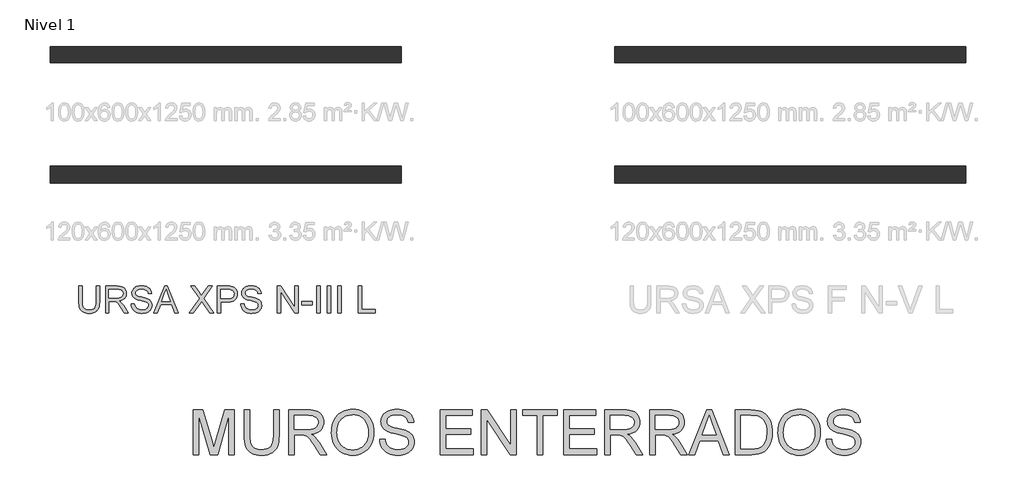
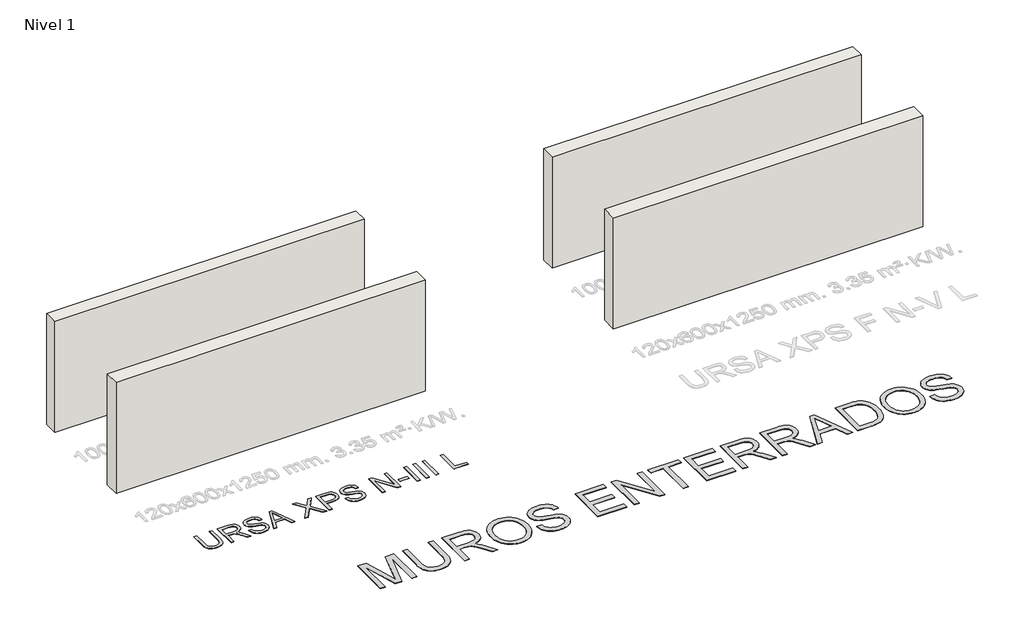
# One storey, part 1 of 6: 4 walls, 2 proxies.
"""IFC4 building model written with IfcOpenShell, lengths in millimetres."""

from ifc_helpers import new_model, si_unit, origin, origin_with_axes, place, context, project, spatial, polyline, outline, extrude, element, save

model = new_model("IFC4")

# Units and contexts
model_context = context("Model", 3, world=origin())
ifc_project = project(units=[si_unit("LENGTHUNIT", "METRE", prefix="MILLI")], contexts=[model_context])

# Site, building, storey
site = spatial("IfcSite", under=ifc_project)
building = spatial("IfcBuilding", under=site)
storey = spatial("IfcBuildingStorey", under=building, Name="Nivel 1", Elevation=0.0)

# Proxies
placement = place(None, origin())
element("IfcBuildingElementProxy", 1, Name="Texto de modelo 2", ObjectType="Texto de modelo 2", at=placement, inside=storey, context=model_context, shape_type="SweptSolid", body=[
    extrude(outline(polyline([(-22795.1224192, -17616.3248037), (-22795.1224192, -16611.7617022), (-22579.0530607, -16611.7617022), (-22373.5296528, -17319.8119156), (-22332.0816146, -17467.7004776), (-22287.2000112, -17307.5491824), (-22085.1101686, -16611.7617022), (-21869.0408101, -16611.7617022), (-21869.0408101, -17616.3248037), (-21994.6111977, -17616.3248037), (-21994.6111977, -16737.3320899), (-22246.9782464, -17616.3248037), (-22417.1849829, -17616.3248037), (-22669.5520316, -16737.3320899), (-22669.5520316, -17616.3248037), (-22795.1224192, -17616.3248037)])), origin_with_axes(), (0.0, 0.0, 1.0), 10.0),
    extrude(outline(polyline([(-20990.0480962, -16611.7617022), (-20864.4777086, -16611.7617022), (-20864.4777086, -17191.2984719), (-20866.6083584, -17263.0584536), (-20873.0003081, -17327.0162713), (-20883.6535576, -17383.171925), (-20898.5681068, -17431.5254148), (-20919.0315428, -17473.9084863), (-20946.3314525, -17512.1528854), (-20980.467836, -17546.258612), (-21021.4406932, -17576.2256662), (-21069.2960094, -17600.6361694), (-21124.0797698, -17618.0722432), (-21185.7919745, -17628.5338874), (-21254.4326234, -17632.0211022), (-21321.3794824, -17628.9860757), (-21381.9343916, -17619.8809963), (-21436.0973512, -17604.705864), (-21483.8683611, -17583.4606788), (-21525.2550856, -17556.4596732), (-21560.2651888, -17524.0170797), (-21588.8986707, -17486.1328984), (-21611.1555314, -17442.8071293), (-21627.8405128, -17392.5529159), (-21639.7583566, -17333.8834019), (-21646.9090628, -17266.7985872), (-21649.2926316, -17191.2984719), (-21649.2926316, -16611.7617022), (-21523.7222439, -16611.7617022), (-21523.7222439, -17186.883888), (-21522.1740738, -17247.5920814), (-21517.5295637, -17299.73169), (-21509.7887133, -17343.3027138), (-21498.9515229, -17378.3051528), (-21484.343542, -17407.2681957), (-21465.2903203, -17432.7210313), (-21441.7918579, -17454.6636594), (-21413.8481547, -17473.0960802), (-21381.9957053, -17487.6887327), (-21346.7710042, -17498.1120559), (-21308.1740516, -17504.3660498), (-21266.2048473, -17506.4507145), (-21196.9970469, -17502.3273704), (-21138.4884813, -17489.9573384), (-21090.6791503, -17469.3406182), (-21070.7866979, -17455.9397501), (-21053.5690541, -17440.47721), (-21038.6813296, -17422.0831102), (-21025.778635, -17399.8875632), (-21005.9283357, -17344.0921273), (-20994.0181561, -17273.0909022), (-20990.0480962, -17186.883888), (-20990.0480962, -16611.7617022)])), origin_with_axes(), (0.0, 0.0, 1.0), 10.0),
    extrude(outline(polyline([(-20644.7295301, -17616.3248037), (-20644.7295301, -16611.7617022), (-20211.8550491, -16611.7617022), (-20149.721313, -16613.4554922), (-20095.5123681, -16618.5368623), (-20049.2282146, -16627.0058124), (-20010.8688524, -16638.8623425), (-19978.2039969, -16655.0184935), (-19949.0033636, -16676.386306), (-19923.2669523, -16702.9657802), (-19900.9947632, -16734.7569159), (-19883.0221949, -16770.0505948), (-19870.1846461, -16807.1376985), (-19862.4821168, -16846.0182268), (-19859.9146071, -16886.6921799), (-19864.1682426, -16938.2876298), (-19876.9291493, -16985.6524366), (-19898.1973272, -17028.7866006), (-19927.9727762, -17067.6901216), (-19966.6387067, -17101.1213979), (-20014.5783292, -17127.8388278), (-20071.7916437, -17147.8424113), (-20138.2786501, -17161.1321483), (-20096.8919256, -17188.171475), (-20066.909543, -17214.8429196), (-20015.4673774, -17275.8500172), (-19965.1288577, -17344.0921273), (-19797.6199225, -17616.3248037), (-19943.5464473, -17616.3248037), (-20074.2671829, -17408.1035944), (-20126.5677399, -17328.6410835), (-20168.6902283, -17270.2704736), (-20203.7923021, -17230.0793656), (-20235.0316148, -17205.1553604), (-20264.6154586, -17190.5320511), (-20294.7511254, -17181.2430307), (-20367.5917604, -17176.8284468), (-20519.1591424, -17176.8284468), (-20519.1591424, -17616.3248037), (-20644.7295301, -17616.3248037)]), holes=[polyline([(-20519.1591424, -17051.2580591), (-20238.0972981, -17051.2580591), (-20157.377857, -17046.8128183), (-20094.7459473, -17033.477096), (-20069.5613591, -17023.2530422), (-20047.5957383, -17010.361844), (-20028.8490849, -16994.8035013), (-20013.321399, -16976.5780141), (-20001.1429722, -16956.5820948), (-19992.4440958, -16935.7124558), (-19987.22477, -16913.969097), (-19985.4849947, -16891.3520185), (-19988.8035969, -16859.238986), (-19998.7594034, -16830.0996663), (-20015.3524142, -16803.9340594), (-20038.5826294, -16780.7421653), (-20068.9865434, -16761.7502573), (-20107.100651, -16748.1846087), (-20152.924952, -16740.0452196), (-20206.4594465, -16737.3320899), (-20519.1591424, -16737.3320899), (-20519.1591424, -17051.2580591)])]), origin_with_axes(), (0.0, 0.0, 1.0), 10.0),
    extrude(outline(polyline([(-19687.255324, -17127.2870048), (-19685.1629951, -17066.6822782), (-19678.8860086, -17009.4574674), (-19668.4243644, -16955.6125725), (-19653.7780624, -16905.1475934), (-19634.9471028, -16858.0625301), (-19611.9314855, -16814.3573826), (-19584.7312105, -16774.032151), (-19553.3462777, -16737.0868352), (-19518.6542392, -16704.0349372), (-19481.5326466, -16675.3899589), (-19441.9815, -16651.1519004), (-19400.0007994, -16631.3207616), (-19355.5905448, -16615.8965425), (-19308.7507362, -16604.8792432), (-19259.4813736, -16598.2688636), (-19207.7824569, -16596.0654037), (-19140.1994687, -16600.2040762), (-19076.019389, -16612.6200935), (-19015.2422177, -16633.3134557), (-18957.8679549, -16662.2841629), (-18905.5060842, -16698.6584951), (-18859.7660895, -16741.5627328), (-18820.6479707, -16790.9968759), (-18788.1517278, -16846.9609244), (-18762.6145859, -16908.1826198), (-18744.3737704, -16973.3897035), (-18733.429281, -17042.5821754), (-18729.7811179, -17115.7600356), (-18733.6208862, -17189.903586), (-18745.1401912, -17260.0310914), (-18764.3390328, -17326.1425516), (-18791.2174111, -17388.2379667), (-18825.1391967, -17444.6771961), (-18865.4682604, -17493.8200993), (-18912.2046022, -17535.6666763), (-18965.3482221, -17570.216927), (-19022.8067912, -17597.2562536), (-19082.4879808, -17616.5700584), (-19144.3917906, -17628.1583412), (-19208.5182209, -17632.0211022), (-19277.2814972, -17627.7521382), (-19342.3046398, -17614.9452462), (-19403.5876489, -17593.6004263), (-19461.1305243, -17563.7176784), (-19513.4310813, -17526.454298), (-19558.987135, -17482.9675804), (-19597.7986855, -17433.2575258), (-19629.8657327, -17377.3241342), (-19654.9736789, -17317.4130184), (-19672.9079262, -17255.7697916), (-19683.6684745, -17192.3944537), (-19687.255324, -17127.2870048)]), holes=[polyline([(-19561.6849363, -17128.5132781), (-19560.1156897, -17171.3063848), (-19555.4079498, -17211.7619079), (-19547.5617166, -17249.8798476), (-19536.5769901, -17285.6602037), (-19522.4537704, -17319.1029763), (-19505.1920574, -17350.2081654), (-19484.7918512, -17378.975771), (-19461.2531516, -17405.4057931), (-19435.3462117, -17429.0881966), (-19407.8412844, -17449.6129462), (-19378.7383697, -17466.9800421), (-19348.0374676, -17481.1894841), (-19315.7385781, -17492.2412724), (-19281.8417011, -17500.1354069), (-19246.3468367, -17504.8718876), (-19209.2539849, -17506.4507145), (-19171.4828507, -17504.8565592), (-19135.424667, -17500.0740932), (-19101.0794339, -17492.1033167), (-19068.4471513, -17480.9442295), (-19037.5278192, -17466.5968317), (-19008.3214377, -17449.0611232), (-18980.8280067, -17428.3371042), (-18955.0475263, -17404.4247745), (-18931.6812714, -17377.5808851), (-18911.4305172, -17348.0621871), (-18894.2952636, -17315.8686804), (-18880.2755107, -17281.0003651), (-18869.3712585, -17243.4572411), (-18861.5825069, -17203.2393084), (-18856.9092559, -17160.346567), (-18855.3515056, -17114.7790169), (-18858.01865, -17057.3127836), (-18866.0200834, -17003.6173407), (-18879.3558057, -16953.6926883), (-18898.025817, -16907.5388263), (-18921.8231836, -16865.7612272), (-18950.5409718, -16828.9653635), (-18984.1791817, -16797.1512351), (-19022.7378134, -16770.3188421), (-19065.0212502, -16749.0200074), (-19109.8338757, -16733.8065541), (-19157.17569, -16724.6784821), (-19207.046693, -16721.6357914), (-19277.1128846, -16727.4989107), (-19342.1206988, -16745.0882686), (-19372.7277144, -16758.280287), (-19402.0701356, -16774.4038651), (-19456.961195, -16815.4457002), (-19481.5058219, -16840.8582986), (-19502.7778318, -16870.1911396), (-19520.7772249, -16903.4442231), (-19535.504001, -16940.6175491), (-19546.9581602, -16981.7111175), (-19555.1397025, -17026.7249285), (-19560.0486278, -17075.6589821), (-19561.6849363, -17128.5132781)])]), origin_with_axes(), (0.0, 0.0, 1.0), 10.0),
    extrude(outline(polyline([(-18604.2107302, -17271.0062376), (-18478.6403425, -17271.0062376), (-18472.8921863, -17307.5568466), (-18464.231631, -17340.6892188), (-18452.6586766, -17370.4033541), (-18438.173323, -17396.6992526), (-18420.0398064, -17420.1057445), (-18397.5223626, -17441.1516603), (-18370.6209917, -17459.837), (-18339.3356937, -17476.1617635), (-18304.8160998, -17489.4131796), (-18268.2118413, -17498.8784767), (-18229.5229181, -17504.557655), (-18188.7493303, -17506.4507145), (-18118.7904376, -17500.7178867), (-18087.0759439, -17493.551852), (-18057.5380854, -17483.5194034), (-18030.9049617, -17470.9807588), (-18007.9046728, -17456.2961358), (-17988.5372186, -17439.4655345), (-17972.8025991, -17420.4889549), (-17960.6241723, -17400.1864673), (-17951.9252959, -17379.378142), (-17946.7059701, -17358.0639789), (-17944.9661948, -17336.243978), (-17950.1778564, -17294.2134601), (-17965.8128412, -17257.8851131), (-17978.9646226, -17241.7672831), (-17997.5733201, -17226.891055), (-18021.638934, -17213.2564285), (-18051.1614641, -17200.8634038), (-18117.4721937, -17181.1510602), (-18233.9988157, -17152.9161171), (-18354.0203166, -17121.186295), (-18397.8212667, -17105.8961996), (-18430.8156831, -17090.9893146), (-18464.3465941, -17070.9857311), (-18493.3249655, -17048.7441988), (-18517.7507971, -17024.2647177), (-18537.6240891, -16997.5472878), (-18553.0214834, -16968.8678206), (-18564.0196222, -16938.5022276), (-18570.6185055, -16906.4505088), (-18572.8181333, -16872.7126641), (-18570.0973393, -16835.3189921), (-18561.9349576, -16799.1669219), (-18548.330988, -16764.2564534), (-18529.2854305, -16730.5875866), (-18505.012883, -16699.5322149), (-18475.7279434, -16672.4622314), (-18441.4306115, -16649.3776362), (-18402.1208875, -16630.2784293), (-18359.1246793, -16615.3102306), (-18313.767895, -16604.6186601), (-18266.0505345, -16598.2037178), (-18215.9725979, -16596.0654037), (-18161.3421217, -16598.3033525), (-18110.0225833, -16605.017199), (-18062.013983, -16616.206943), (-18017.3163206, -16631.8725846), (-17976.7573306, -16651.8761681), (-17941.1647475, -16676.0797377), (-17910.5385715, -16704.4832934), (-17884.8788023, -16737.0868352), (-17864.3847095, -16772.9400013), (-17849.2555624, -16811.0924299), (-17839.4913611, -16851.544121), (-17835.0921056, -16894.2950745), (-17960.6624933, -16894.2950745), (-17969.0624655, -16854.2265939), (-17983.7164317, -16819.3697748), (-18004.6243917, -16789.7246174), (-18031.7863457, -16765.2911215), (-18065.7081313, -16746.1919146), (-18106.8955864, -16732.5496239), (-18155.3487108, -16724.3642496), (-18211.0675047, -16721.6357914), (-18268.5643948, -16724.3335927), (-18317.6919696, -16732.4269966), (-18358.450229, -16745.9160031), (-18390.839173, -16764.8006122), (-18415.5179235, -16787.501997), (-18433.1456024, -16812.4413306), (-18443.7222098, -16839.618613), (-18447.2477456, -16869.0338442), (-18444.7492137, -16894.3410597), (-18437.253618, -16917.2876992), (-18424.7609586, -16937.8737625), (-18407.2712354, -16956.0992497), (-18379.7413995, -16973.3590466), (-18336.3926377, -16990.8027846), (-18277.2249501, -17008.4304635), (-18202.2383368, -17026.2420834), (-18063.7920793, -17059.903286), (-18015.0783717, -17075.1244035), (-17980.0376117, -17089.2725319), (-17941.5402938, -17110.7169866), (-17908.4539068, -17134.8285857), (-17880.7784509, -17161.6073292), (-17858.513926, -17191.0532173), (-17841.399749, -17223.0129656), (-17829.1753369, -17257.3332901), (-17821.8406896, -17294.0141907), (-17819.3958071, -17333.0556674), (-17822.2085716, -17372.3347346), (-17830.6468648, -17410.4641706), (-17844.7106869, -17447.4439753), (-17864.4000379, -17483.2741488), (-17889.3700283, -17516.5674693), (-17919.2757688, -17545.9367153), (-17954.1172595, -17571.3818866), (-17993.8945002, -17592.9029833), (-18037.4501956, -17610.0171603), (-18083.6270502, -17622.2415725), (-18132.425064, -17629.5762197), (-18183.844237, -17632.0211022), (-18248.0779662, -17629.3846145), (-18306.8701076, -17621.4751516), (-18360.2206611, -17608.2927135), (-18408.1296268, -17589.8373), (-18450.8882445, -17566.0782545), (-18488.7877542, -17536.9849201), (-18521.8281559, -17502.5572967), (-18550.0094496, -17462.7953844), (-18572.7108344, -17418.9867701), (-18589.3115094, -17372.4190409), (-18599.8114747, -17323.0921967), (-18604.2107302, -17271.0062376)])), origin_with_axes(), (0.0, 0.0, 1.0), 10.0),
    extrude(outline(polyline([(-17238.6327641, -17616.3248037), (-17238.6327641, -16611.7617022), (-16516.6030349, -16611.7617022), (-16516.6030349, -16737.3320899), (-17113.0623764, -16737.3320899), (-17113.0623764, -17035.5617606), (-16547.9956318, -17035.5617606), (-16547.9956318, -17161.1321483), (-17113.0623764, -17161.1321483), (-17113.0623764, -17490.754416), (-16500.9067364, -17490.754416), (-16500.9067364, -17616.3248037), (-17238.6327641, -17616.3248037)])), origin_with_axes(), (0.0, 0.0, 1.0), 10.0),
    extrude(outline(polyline([(-16312.5511549, -17616.3248037), (-16312.5511549, -16611.7617022), (-16178.1515993, -16611.7617022), (-15653.3066195, -17407.6130851), (-15653.3066195, -16611.7617022), (-15527.7362319, -16611.7617022), (-15527.7362319, -17616.3248037), (-15662.1357874, -17616.3248037), (-16186.9807672, -16820.2281661), (-16186.9807672, -17616.3248037), (-16312.5511549, -17616.3248037)])), origin_with_axes(), (0.0, 0.0, 1.0), 10.0),
    extrude(outline(polyline([(-15056.847278, -17616.3248037), (-15056.847278, -16737.3320899), (-15386.4695457, -16737.3320899), (-15386.4695457, -16611.7617022), (-14601.6546227, -16611.7617022), (-14601.6546227, -16737.3320899), (-14931.2768903, -16737.3320899), (-14931.2768903, -17616.3248037), (-15056.847278, -17616.3248037)])), origin_with_axes(), (0.0, 0.0, 1.0), 10.0),
    extrude(outline(polyline([(-14460.3879365, -17616.3248037), (-14460.3879365, -16611.7617022), (-13738.3582073, -16611.7617022), (-13738.3582073, -16737.3320899), (-14334.8175488, -16737.3320899), (-14334.8175488, -17035.5617606), (-13769.7508042, -17035.5617606), (-13769.7508042, -17161.1321483), (-14334.8175488, -17161.1321483), (-14334.8175488, -17490.754416), (-13722.6619089, -17490.754416), (-13722.6619089, -17616.3248037), (-14460.3879365, -17616.3248037)])), origin_with_axes(), (0.0, 0.0, 1.0), 10.0),
    extrude(outline(polyline([(-13534.3063273, -17616.3248037), (-13534.3063273, -16611.7617022), (-13101.4318463, -16611.7617022), (-13039.2981102, -16613.4554922), (-12985.0891654, -16618.5368623), (-12938.8050118, -16627.0058124), (-12900.4456496, -16638.8623425), (-12867.7807941, -16655.0184935), (-12838.5801608, -16676.386306), (-12812.8437495, -16702.9657802), (-12790.5715604, -16734.7569159), (-12772.5989921, -16770.0505948), (-12759.7614433, -16807.1376985), (-12752.058914, -16846.0182268), (-12749.4914043, -16886.6921799), (-12753.7450399, -16938.2876298), (-12766.5059466, -16985.6524366), (-12787.7741244, -17028.7866006), (-12817.5495734, -17067.6901216), (-12856.2155039, -17101.1213979), (-12904.1551264, -17127.8388278), (-12961.3684409, -17147.8424113), (-13027.8554473, -17161.1321483), (-12986.4687228, -17188.171475), (-12956.4863402, -17214.8429196), (-12905.0441746, -17275.8500172), (-12854.7056549, -17344.0921273), (-12687.1967198, -17616.3248037), (-12833.1232445, -17616.3248037), (-12963.8439801, -17408.1035944), (-13016.1445371, -17328.6410835), (-13058.2670256, -17270.2704736), (-13093.3690993, -17230.0793656), (-13124.608412, -17205.1553604), (-13154.1922558, -17190.5320511), (-13184.3279226, -17181.2430307), (-13257.1685576, -17176.8284468), (-13408.7359396, -17176.8284468), (-13408.7359396, -17616.3248037), (-13534.3063273, -17616.3248037)]), holes=[polyline([(-13408.7359396, -17051.2580591), (-13127.6740953, -17051.2580591), (-13046.9546542, -17046.8128183), (-12984.3227445, -17033.477096), (-12959.1381563, -17023.2530422), (-12937.1725355, -17010.361844), (-12918.4258822, -16994.8035013), (-12902.8981963, -16976.5780141), (-12890.7197694, -16956.5820948), (-12882.020893, -16935.7124558), (-12876.8015672, -16913.969097), (-12875.061792, -16891.3520185), (-12878.3803941, -16859.238986), (-12888.3362006, -16830.0996663), (-12904.9292115, -16803.9340594), (-12928.1594266, -16780.7421653), (-12958.5633407, -16761.7502573), (-12996.6774482, -16748.1846087), (-13042.5017492, -16740.0452196), (-13096.0362437, -16737.3320899), (-13408.7359396, -16737.3320899), (-13408.7359396, -17051.2580591)])]), origin_with_axes(), (0.0, 0.0, 1.0), 10.0),
    extrude(outline(polyline([(-12529.7432258, -17616.3248037), (-12529.7432258, -16611.7617022), (-12096.8687448, -16611.7617022), (-12034.7350087, -16613.4554922), (-11980.5260639, -16618.5368623), (-11934.2419103, -16627.0058124), (-11895.8825481, -16638.8623425), (-11863.2176927, -16655.0184935), (-11834.0170593, -16676.386306), (-11808.280648, -16702.9657802), (-11786.0084589, -16734.7569159), (-11768.0358906, -16770.0505948), (-11755.1983418, -16807.1376985), (-11747.4958125, -16846.0182268), (-11744.9283028, -16886.6921799), (-11749.1819384, -16938.2876298), (-11761.9428451, -16985.6524366), (-11783.2110229, -17028.7866006), (-11812.9864719, -17067.6901216), (-11851.6524024, -17101.1213979), (-11899.5920249, -17127.8388278), (-11956.8053394, -17147.8424113), (-12023.2923458, -17161.1321483), (-11981.9056213, -17188.171475), (-11951.9232387, -17214.8429196), (-11900.4810731, -17275.8500172), (-11850.1425534, -17344.0921273), (-11682.6336183, -17616.3248037), (-11828.560143, -17616.3248037), (-11959.2808786, -17408.1035944), (-12011.5814356, -17328.6410835), (-12053.7039241, -17270.2704736), (-12088.8059978, -17230.0793656), (-12120.0453105, -17205.1553604), (-12149.6291543, -17190.5320511), (-12179.7648211, -17181.2430307), (-12252.6054561, -17176.8284468), (-12404.1728381, -17176.8284468), (-12404.1728381, -17616.3248037), (-12529.7432258, -17616.3248037)]), holes=[polyline([(-12404.1728381, -17051.2580591), (-12123.1109938, -17051.2580591), (-12042.3915527, -17046.8128183), (-11979.759643, -17033.477096), (-11954.5750548, -17023.2530422), (-11932.609434, -17010.361844), (-11913.8627807, -16994.8035013), (-11898.3350948, -16976.5780141), (-11886.1566679, -16956.5820948), (-11877.4577915, -16935.7124558), (-11872.2384657, -16913.969097), (-11870.4986905, -16891.3520185), (-11873.8172926, -16859.238986), (-11883.7730991, -16830.0996663), (-11900.36611, -16803.9340594), (-11923.5963251, -16780.7421653), (-11954.0002392, -16761.7502573), (-11992.1143467, -16748.1846087), (-12037.9386477, -16740.0452196), (-12091.4731422, -16737.3320899), (-12404.1728381, -16737.3320899), (-12404.1728381, -17051.2580591)])]), origin_with_axes(), (0.0, 0.0, 1.0), 10.0),
    extrude(outline(polyline([(-11642.1665988, -17616.3248037), (-11241.1752241, -16611.7617022), (-11134.2441908, -16611.7617022), (-10733.252816, -17616.3248037), (-10865.935589, -17616.3248037), (-10980.9600261, -17302.3988345), (-11394.7046434, -17302.3988345), (-11509.4838259, -17616.3248037), (-11642.1665988, -17616.3248037)]), holes=[polyline([(-11348.5967666, -17176.8284468), (-11026.8226482, -17176.8284468), (-11117.321619, -16929.8570007), (-11187.7097074, -16737.3320899), (-11250.2496466, -16908.2745903), (-11348.5967666, -17176.8284468)])]), origin_with_axes(), (0.0, 0.0, 1.0), 10.0),
    extrude(outline(polyline([(-10599.0985151, -17616.3248037), (-10599.0985151, -16611.7617022), (-10252.5536757, -16611.7617022), (-10148.994894, -16615.3792085), (-10073.2725167, -16626.2317273), (-10031.6711944, -16638.1725638), (-9993.1968691, -16654.1294453), (-9957.8495407, -16674.102372), (-9925.6292093, -16698.0913437), (-9888.3964857, -16734.0211519), (-9856.1608259, -16774.6107987), (-9828.9222298, -16819.8602841), (-9806.6806975, -16869.7696081), (-9789.4055722, -16923.8789183), (-9777.0661969, -16981.728362), (-9769.6625718, -17043.3179394), (-9767.1946967, -17108.6476504), (-9768.8654941, -17164.174839), (-9773.8778863, -17216.4677318), (-9782.2318733, -17265.5263287), (-9793.927455, -17311.3506297), (-9824.4616606, -17392.1313845), (-9842.5798489, -17426.7965983), (-9862.5987608, -17457.6450364), (-9906.4993456, -17509.3631136), (-9954.3240049, -17548.7571439), (-10009.2303927, -17577.9731057), (-10074.3761627, -17599.1569773), (-10149.8839422, -17612.0328471), (-10235.8763586, -17616.3248037), (-10599.0985151, -17616.3248037)]), holes=[polyline([(-10473.5281275, -17490.754416), (-10251.3274024, -17490.754416), (-10159.4182172, -17486.2172047), (-10121.7869548, -17480.5456906), (-10089.7045792, -17472.6055709), (-10037.0974538, -17450.7165922), (-10015.3004456, -17436.9670026), (-9996.507807, -17421.3473463), (-9973.3389056, -17396.1704222), (-9952.8831338, -17366.9927815), (-9935.1404917, -17333.814424), (-9920.1109794, -17296.6353499), (-9908.1471503, -17255.378917), (-9899.6015581, -17209.9684832), (-9894.4742028, -17160.4040485), (-9892.7650844, -17106.685613), (-9896.1143434, -17033.7836643), (-9906.1621204, -16969.8335108), (-9922.9084154, -16914.8351526), (-9946.3532284, -16868.7885895), (-9974.5958357, -16830.6514893), (-10005.7355138, -16799.3815197), (-10039.7722625, -16774.9786807), (-10076.706082, -16757.4429723), (-10108.6198451, -16748.6444612), (-10148.9335804, -16742.3598105), (-10254.7609677, -16737.3320899), (-10473.5281275, -16737.3320899), (-10473.5281275, -17490.754416)])]), origin_with_axes(), (0.0, 0.0, 1.0), 10.0),
    extrude(outline(polyline([(-9641.624309, -17127.2870048), (-9639.5319802, -17066.6822782), (-9633.2549936, -17009.4574674), (-9622.7933494, -16955.6125725), (-9608.1470475, -16905.1475934), (-9589.3160878, -16858.0625301), (-9566.3004705, -16814.3573826), (-9539.1001955, -16774.032151), (-9507.7152628, -16737.0868352), (-9473.0232242, -16704.0349372), (-9435.9016316, -16675.3899589), (-9396.3504851, -16651.1519004), (-9354.3697845, -16631.3207616), (-9309.9595299, -16615.8965425), (-9263.1197212, -16604.8792432), (-9213.8503586, -16598.2688636), (-9162.151442, -16596.0654037), (-9094.5684538, -16600.2040762), (-9030.388374, -16612.6200935), (-8969.6112028, -16633.3134557), (-8912.2369399, -16662.2841629), (-8859.8750693, -16698.6584951), (-8814.1350745, -16741.5627328), (-8775.0169557, -16790.9968759), (-8742.5207128, -16846.9609244), (-8716.983571, -16908.1826198), (-8698.7427554, -16973.3897035), (-8687.798266, -17042.5821754), (-8684.1501029, -17115.7600356), (-8687.9898712, -17189.903586), (-8699.5091762, -17260.0310914), (-8718.7080178, -17326.1425516), (-8745.5863961, -17388.2379667), (-8779.5081817, -17444.6771961), (-8819.8372455, -17493.8200993), (-8866.5735873, -17535.6666763), (-8919.7172072, -17570.216927), (-8977.1757763, -17597.2562536), (-9036.8569658, -17616.5700584), (-9098.7607757, -17628.1583412), (-9162.887206, -17632.0211022), (-9231.6504822, -17627.7521382), (-9296.6736249, -17614.9452462), (-9357.9566339, -17593.6004263), (-9415.4995093, -17563.7176784), (-9467.8000663, -17526.454298), (-9513.35612, -17482.9675804), (-9552.1676705, -17433.2575258), (-9584.2347178, -17377.3241342), (-9609.342664, -17317.4130184), (-9627.2769112, -17255.7697916), (-9638.0374596, -17192.3944537), (-9641.624309, -17127.2870048)]), holes=[polyline([(-9516.0539213, -17128.5132781), (-9514.4846747, -17171.3063848), (-9509.7769348, -17211.7619079), (-9501.9307016, -17249.8798476), (-9490.9459752, -17285.6602037), (-9476.8227554, -17319.1029763), (-9459.5610425, -17350.2081654), (-9439.1608362, -17378.975771), (-9415.6221367, -17405.4057931), (-9389.7151968, -17429.0881966), (-9362.2102695, -17449.6129462), (-9333.1073548, -17466.9800421), (-9302.4064526, -17481.1894841), (-9270.1075631, -17492.2412724), (-9236.2106861, -17500.1354069), (-9200.7158218, -17504.8718876), (-9163.62297, -17506.4507145), (-9125.8518357, -17504.8565592), (-9089.7936521, -17500.0740932), (-9055.4484189, -17492.1033167), (-9022.8161363, -17480.9442295), (-8991.8968042, -17466.5968317), (-8962.6904227, -17449.0611232), (-8935.1969917, -17428.3371042), (-8909.4165113, -17404.4247745), (-8886.0502564, -17377.5808851), (-8865.7995022, -17348.0621871), (-8848.6642487, -17315.8686804), (-8834.6444958, -17281.0003651), (-8823.7402435, -17243.4572411), (-8815.9514919, -17203.2393084), (-8811.2782409, -17160.346567), (-8809.7204906, -17114.7790169), (-8812.3876351, -17057.3127836), (-8820.3890685, -17003.6173407), (-8833.7247908, -16953.6926883), (-8852.394802, -16907.5388263), (-8876.1921686, -16865.7612272), (-8904.9099569, -16828.9653635), (-8938.5481668, -16797.1512351), (-8977.1067984, -16770.3188421), (-9019.3902352, -16749.0200074), (-9064.2028608, -16733.8065541), (-9111.544675, -16724.6784821), (-9161.415678, -16721.6357914), (-9231.4818697, -16727.4989107), (-9296.4896839, -16745.0882686), (-9327.0966995, -16758.280287), (-9356.4391207, -16774.4038651), (-9411.33018, -16815.4457002), (-9435.8748069, -16840.8582986), (-9457.1468169, -16870.1911396), (-9475.1462099, -16903.4442231), (-9489.872986, -16940.6175491), (-9501.3271452, -16981.7111175), (-9509.5086875, -17026.7249285), (-9514.4176129, -17075.6589821), (-9516.0539213, -17128.5132781)])]), origin_with_axes(), (0.0, 0.0, 1.0), 10.0),
    extrude(outline(polyline([(-8558.5797152, -17271.0062376), (-8433.0093275, -17271.0062376), (-8427.2611714, -17307.5568466), (-8418.6006161, -17340.6892188), (-8407.0276616, -17370.4033541), (-8392.5423081, -17396.6992526), (-8374.4087914, -17420.1057445), (-8351.8913476, -17441.1516603), (-8324.9899767, -17459.837), (-8293.7046787, -17476.1617635), (-8259.1850848, -17489.4131796), (-8222.5808263, -17498.8784767), (-8183.8919031, -17504.557655), (-8143.1183153, -17506.4507145), (-8073.1594226, -17500.7178867), (-8041.4449289, -17493.551852), (-8011.9070704, -17483.5194034), (-7985.2739468, -17470.9807588), (-7962.2736579, -17456.2961358), (-7942.9062037, -17439.4655345), (-7927.1715842, -17420.4889549), (-7914.9931573, -17400.1864673), (-7906.2942809, -17379.378142), (-7901.0749551, -17358.0639789), (-7899.3351799, -17336.243978), (-7904.5468415, -17294.2134601), (-7920.1818263, -17257.8851131), (-7933.3336076, -17241.7672831), (-7951.9423052, -17226.891055), (-7976.007919, -17213.2564285), (-8005.5304491, -17200.8634038), (-8071.8411788, -17181.1510602), (-8188.3678007, -17152.9161171), (-8308.3893017, -17121.186295), (-8352.1902517, -17105.8961996), (-8385.1846682, -17090.9893146), (-8418.7155792, -17070.9857311), (-8447.6939505, -17048.7441988), (-8472.1197822, -17024.2647177), (-8491.9930741, -16997.5472878), (-8507.3904684, -16968.8678206), (-8518.3886073, -16938.5022276), (-8524.9874905, -16906.4505088), (-8527.1871183, -16872.7126641), (-8524.4663244, -16835.3189921), (-8516.3039426, -16799.1669219), (-8502.699973, -16764.2564534), (-8483.6544155, -16730.5875866), (-8459.3818681, -16699.5322149), (-8430.0969284, -16672.4622314), (-8395.7995966, -16649.3776362), (-8356.4898725, -16630.2784293), (-8313.4936644, -16615.3102306), (-8268.13688, -16604.6186601), (-8220.4195196, -16598.2037178), (-8170.341583, -16596.0654037), (-8115.7111067, -16598.3033525), (-8064.3915684, -16605.017199), (-8016.382968, -16616.206943), (-7971.6853056, -16631.8725846), (-7931.1263156, -16651.8761681), (-7895.5337326, -16676.0797377), (-7864.9075565, -16704.4832934), (-7839.2477873, -16737.0868352), (-7818.7536945, -16772.9400013), (-7803.6245475, -16811.0924299), (-7793.8603462, -16851.544121), (-7789.4610906, -16894.2950745), (-7915.0314783, -16894.2950745), (-7923.4314506, -16854.2265939), (-7938.0854167, -16819.3697748), (-7958.9933768, -16789.7246174), (-7986.1553307, -16765.2911215), (-8020.0771164, -16746.1919146), (-8061.2645714, -16732.5496239), (-8109.7176959, -16724.3642496), (-8165.4364897, -16721.6357914), (-8222.9333799, -16724.3335927), (-8272.0609547, -16732.4269966), (-8312.819214, -16745.9160031), (-8345.208158, -16764.8006122), (-8369.8869085, -16787.501997), (-8387.5145875, -16812.4413306), (-8398.0911948, -16839.618613), (-8401.6167306, -16869.0338442), (-8399.1181987, -16894.3410597), (-8391.6226031, -16917.2876992), (-8379.1299437, -16937.8737625), (-8361.6402205, -16956.0992497), (-8334.1103845, -16973.3590466), (-8290.7616227, -16990.8027846), (-8231.5939352, -17008.4304635), (-8156.6073218, -17026.2420834), (-8018.1610643, -17059.903286), (-7969.4473568, -17075.1244035), (-7934.4065967, -17089.2725319), (-7895.9092788, -17110.7169866), (-7862.8228918, -17134.8285857), (-7835.1474359, -17161.6073292), (-7812.882911, -17191.0532173), (-7795.768734, -17223.0129656), (-7783.5443219, -17257.3332901), (-7776.2096746, -17294.0141907), (-7773.7647922, -17333.0556674), (-7776.5775566, -17372.3347346), (-7785.0158499, -17410.4641706), (-7799.079672, -17447.4439753), (-7818.7690229, -17483.2741488), (-7843.7390134, -17516.5674693), (-7873.6447539, -17545.9367153), (-7908.4862445, -17571.3818866), (-7948.2634852, -17592.9029833), (-7991.8191806, -17610.0171603), (-8037.9960352, -17622.2415725), (-8086.794049, -17629.5762197), (-8138.2132221, -17632.0211022), (-8202.4469513, -17629.3846145), (-8261.2390926, -17621.4751516), (-8314.5896461, -17608.2927135), (-8362.4986118, -17589.8373), (-8405.2572295, -17566.0782545), (-8443.1567392, -17536.9849201), (-8476.1971409, -17502.5572967), (-8504.3784346, -17462.7953844), (-8527.0798194, -17418.9867701), (-8543.6804944, -17372.4190409), (-8554.1804597, -17323.0921967), (-8558.5797152, -17271.0062376)])), origin_with_axes(), (0.0, 0.0, 1.0), 10.0),
])
element("IfcBuildingElementProxy", 2, Name="Texto de modelo 3", ObjectType="Texto de modelo 3", at=placement, inside=storey, context=model_context, shape_type="SweptSolid", body=[
    extrude(outline(polyline([(-24976.063677, -13823.3522814), (-24900.7214443, -13823.3522814), (-24900.7214443, -14171.0743432), (-24905.8350041, -14252.5050228), (-24912.2269537, -14286.1984151), (-24921.1756833, -14315.2105089), (-24933.4537449, -14340.6403518), (-24949.8336907, -14363.5869913), (-24970.3155208, -14384.0504273), (-24994.8992351, -14402.0306598), (-25023.6124248, -14416.6769617), (-25056.4826811, -14427.1386059), (-25093.5100039, -14433.4155925), (-25134.6943933, -14435.5079213), (-25174.8625086, -14433.6869055), (-25211.1954542, -14428.2238578), (-25243.6932299, -14419.1187784), (-25272.3558359, -14406.3716673), (-25297.1878705, -14390.1710639), (-25318.1939325, -14370.7055079), (-25335.3740216, -14347.9749991), (-25348.7281381, -14321.9795376), (-25358.7391269, -14291.8270096), (-25365.8898331, -14256.6253012), (-25370.1802569, -14216.3744124), (-25371.6103982, -14171.0743432), (-25371.6103982, -13823.3522814), (-25296.2681656, -13823.3522814), (-25296.2681656, -14168.4255928), (-25292.5525574, -14236.134274), (-25281.405733, -14283.2783517), (-25272.6409444, -14300.6561775), (-25261.2090114, -14315.9278788), (-25247.109934, -14329.0934557), (-25230.343712, -14340.1529082), (-25190.0974218, -14355.1624936), (-25141.7577276, -14360.1656887), (-25100.2330474, -14357.6916823), (-25065.127908, -14350.269663), (-25036.4423094, -14337.899631), (-25014.1762517, -14320.581586), (-24997.5020002, -14296.227798), (-24985.5918206, -14262.7505364), (-24978.4457129, -14220.1498014), (-24976.063677, -14168.4255928), (-24976.063677, -13823.3522814)])), origin_with_axes(), (0.0, 0.0, 1.0), 10.0),
    extrude(outline(polyline([(-24768.8725373, -14426.0901423), (-24768.8725373, -13823.3522814), (-24509.1478487, -13823.3522814), (-24439.3422401, -13827.4173774), (-24388.5561307, -13839.6126655), (-24368.9572174, -13849.3063561), (-24351.4368373, -13862.1270436), (-24335.9949906, -13878.0747281), (-24322.6316771, -13897.1494096), (-24311.8481361, -13918.3256169), (-24304.1456069, -13940.5778791), (-24299.5240893, -13963.9061961), (-24297.9835834, -13988.310568), (-24300.5357648, -14019.2678379), (-24308.1923088, -14047.686722), (-24320.9532155, -14073.5672204), (-24338.8184849, -14096.909333), (-24362.0180432, -14116.9680988), (-24390.7818167, -14132.9985567), (-24425.1098054, -14145.0007068), (-24465.0020093, -14152.974549), (-24440.1699746, -14169.198145), (-24422.180545, -14185.2010118), (-24391.3152456, -14221.8052703), (-24361.1121338, -14262.7505364), (-24260.6067727, -14426.0901423), (-24348.1626876, -14426.0901423), (-24426.595129, -14301.1574167), (-24483.2489562, -14218.4575442), (-24504.3102004, -14194.3428794), (-24523.0537881, -14179.3884763), (-24558.8854944, -14165.0410785), (-24602.5898755, -14162.3923281), (-24693.5303047, -14162.3923281), (-24693.5303047, -14426.0901423), (-24768.8725373, -14426.0901423)]), holes=[polyline([(-24693.5303047, -14087.0500955), (-24524.8931981, -14087.0500955), (-24476.4615334, -14084.382951), (-24438.8823876, -14076.3815176), (-24410.5922622, -14062.5123664), (-24390.0276586, -14042.2420685), (-24377.5012767, -14017.7227335), (-24373.3258161, -13991.1064712), (-24375.3169774, -13971.8386517), (-24381.2904613, -13954.3550598), (-24391.2462677, -13938.6556957), (-24405.1843968, -13924.7405592), (-24423.4267453, -13913.3454144), (-24446.2952098, -13905.2060253), (-24473.7897904, -13900.3223918), (-24505.9104871, -13898.694514), (-24693.5303047, -13898.694514), (-24693.5303047, -14087.0500955)])]), origin_with_axes(), (0.0, 0.0, 1.0), 10.0),
    extrude(outline(polyline([(-24194.3880136, -14218.8990026), (-24119.045781, -14218.8990026), (-24110.4005541, -14260.7087913), (-24094.7655693, -14294.3148116), (-24070.374993, -14320.9862562), (-24035.4629917, -14341.9923182), (-23992.7886802, -14355.6223461), (-23945.1111737, -14360.1656887), (-23903.135838, -14356.7259921), (-23866.3844267, -14346.4069021), (-23836.6043792, -14330.0729415), (-23815.543135, -14308.588633), (-23803.016753, -14283.9221452), (-23798.8412924, -14258.0416469), (-23801.9682894, -14232.8233361), (-23811.3492802, -14211.0263279), (-23830.4055676, -14192.429893), (-23862.558454, -14176.8133023), (-23972.2608649, -14148.0449303), (-24044.2737655, -14129.007037), (-24090.3509854, -14110.8888488), (-24127.8565548, -14085.5417793), (-24154.4360289, -14054.8236327), (-24170.2733488, -14019.3965966), (-24175.5524555, -13979.9228585), (-24173.9199791, -13957.4866553), (-24169.02255, -13935.7954132), (-24160.8601683, -13914.8491321), (-24149.4328338, -13894.647812), (-24134.8693053, -13876.014589), (-24117.2983415, -13859.7725989), (-24096.7199424, -13845.9218418), (-24073.134108, -13834.4623176), (-24020.1223125, -13819.0664561), (-23961.4451343, -13813.9345023), (-23897.8751255, -13819.3055794), (-23842.2513678, -13835.4188108), (-23817.9159738, -13847.4209609), (-23796.560424, -13861.9431027), (-23778.1847184, -13878.9852361), (-23762.7888569, -13898.5473612), (-23750.4924012, -13920.0592608), (-23741.4149129, -13942.950718), (-23735.5563922, -13967.2217326), (-23732.9168389, -13992.8723047), (-23808.2590715, -13992.8723047), (-23813.2990548, -13968.8312163), (-23822.0914345, -13947.9171249), (-23834.6362105, -13930.1300305), (-23850.9333829, -13915.4699329), (-23871.2864543, -13904.0104088), (-23895.9989273, -13895.8250344), (-23925.070802, -13890.9138098), (-23958.5020783, -13889.2767349), (-23993.0002124, -13890.8954157), (-24022.4767573, -13895.751458), (-24046.9317129, -13903.8448619), (-24066.3650793, -13915.1756274), (-24081.1723296, -13928.7964582), (-24091.748937, -13943.7600584), (-24098.0949014, -13960.0664278), (-24100.2102228, -13977.7155665), (-24098.7111037, -13992.8998959), (-24094.2137463, -14006.6678796), (-24086.7181507, -14019.0195175), (-24076.2243168, -14029.9548098), (-24059.7064152, -14040.310688), (-24033.6971581, -14050.7769308), (-23953.2045776, -14072.0405101), (-23870.1368231, -14092.2372316), (-23819.8841425, -14109.8587792), (-23776.9339196, -14137.1924114), (-23760.328646, -14153.2596576), (-23746.9699311, -14170.9271904), (-23736.7014249, -14190.1030394), (-23729.3667776, -14210.6952341), (-23723.4990598, -14256.1286605), (-23725.1867184, -14279.6961008), (-23730.2496944, -14302.5737624), (-23738.6879877, -14324.7616452), (-23750.5015982, -14346.2597493), (-23765.4835925, -14366.2357416), (-23783.4270368, -14383.8572892), (-23804.3319312, -14399.124392), (-23828.1982756, -14412.03705), (-23854.3316928, -14422.3055562), (-23882.0378056, -14429.6402035), (-23942.1681177, -14435.5079213), (-23980.7083552, -14433.9260288), (-24015.98364, -14429.180351), (-24047.9939722, -14421.2708881), (-24076.7393515, -14410.1976401), (-24102.3945222, -14395.9422127), (-24125.134228, -14378.4862121), (-24144.958469, -14357.829638), (-24161.8672452, -14333.9724907), (-24175.4880761, -14307.6873221), (-24185.4484811, -14279.7466846), (-24191.7484603, -14250.1505781), (-24194.3880136, -14218.8990026)])), origin_with_axes(), (0.0, 0.0, 1.0), 10.0),
    extrude(outline(polyline([(-23680.6775955, -14426.0901423), (-23440.0827707, -13823.3522814), (-23375.9241507, -13823.3522814), (-23135.3293259, -14426.0901423), (-23214.9389896, -14426.0901423), (-23283.9536519, -14237.7345607), (-23532.2004223, -14237.7345607), (-23601.0679318, -14426.0901423), (-23680.6775955, -14426.0901423)]), holes=[polyline([(-23504.5356963, -14162.3923281), (-23311.4712252, -14162.3923281), (-23365.7706077, -14014.2094605), (-23408.0034607, -13898.694514), (-23445.5274242, -14001.2600142), (-23504.5356963, -14162.3923281)])]), origin_with_axes(), (0.0, 0.0, 1.0), 10.0),
    extrude(outline(polyline([(-22885.316722, -14426.0901423), (-22652.9624538, -14097.645097), (-22847.6456057, -13823.3522814), (-22757.2937876, -13823.3522814), (-22647.6649531, -13977.7155665), (-22621.5085432, -14016.8214226), (-22610.7296008, -14037.9010609), (-22567.4666781, -13976.6854969), (-22459.015066, -13823.3522814), (-22367.3388728, -13823.3522814), (-22562.0220246, -14098.5280137), (-22329.6677565, -14426.0901423), (-22420.0195745, -14426.0901423), (-22574.824318, -14207.7153899), (-22607.0507808, -14162.3923281), (-22642.5146052, -14212.1299739), (-22793.6405288, -14426.0901423), (-22885.316722, -14426.0901423)])), origin_with_axes(), (0.0, 0.0, 1.0), 10.0),
    extrude(outline(polyline([(-22254.3255238, -14426.0901423), (-22254.3255238, -13823.3522814), (-22030.9475764, -13823.3522814), (-21978.9290623, -13824.7870211), (-21940.890064, -13829.0912405), (-21900.7357442, -13839.8150006), (-21867.6815469, -13857.2710013), (-21841.0652846, -13882.2501888), (-21820.2247695, -13915.5435093), (-21806.7602885, -13954.8149123), (-21802.2721282, -13997.7283471), (-21805.3025561, -14034.7280787), (-21814.3938399, -14068.7663603), (-21829.5459796, -14099.8431919), (-21850.7589751, -14127.9585734), (-21879.8814336, -14151.2638978), (-21918.7619619, -14167.910558), (-21967.4005602, -14177.8985542), (-22025.7972284, -14181.2278863), (-22178.9832912, -14181.2278863), (-22178.9832912, -14426.0901423), (-22254.3255238, -14426.0901423)]), holes=[polyline([(-22178.9832912, -14105.8856537), (-22021.3826445, -14105.8856537), (-21985.146268, -14104.1566083), (-21954.5752742, -14098.9694721), (-21929.6696631, -14090.3242453), (-21910.4294348, -14078.2209276), (-21896.0728399, -14062.981416), (-21885.8181293, -14044.9276071), (-21879.6653029, -14024.0595009), (-21877.6143608, -14000.3770974), (-21882.452009, -13966.5319539), (-21896.9649537, -13937.9843111), (-21919.3505731, -13916.5000025), (-21947.8062455, -13903.8448619), (-21976.8689231, -13899.982101), (-22023.1484781, -13898.694514), (-22178.9832912, -13898.694514), (-22178.9832912, -14105.8856537)])]), origin_with_axes(), (0.0, 0.0, 1.0), 10.0),
    extrude(outline(polyline([(-21726.9298956, -14218.8990026), (-21651.5876629, -14218.8990026), (-21642.9424361, -14260.7087913), (-21627.3074513, -14294.3148116), (-21602.916875, -14320.9862562), (-21568.0048736, -14341.9923182), (-21525.3305622, -14355.6223461), (-21477.6530556, -14360.1656887), (-21435.67772, -14356.7259921), (-21398.9263087, -14346.4069021), (-21369.1462611, -14330.0729415), (-21348.0850169, -14308.588633), (-21335.558635, -14283.9221452), (-21331.3831743, -14258.0416469), (-21334.5101713, -14232.8233361), (-21343.8911622, -14211.0263279), (-21362.9474495, -14192.429893), (-21395.1003359, -14176.8133023), (-21504.8027469, -14148.0449303), (-21576.8156474, -14129.007037), (-21622.8928673, -14110.8888488), (-21660.3984367, -14085.5417793), (-21686.9779109, -14054.8236327), (-21702.8152308, -14019.3965966), (-21708.0943374, -13979.9228585), (-21706.461861, -13957.4866553), (-21701.564432, -13935.7954132), (-21693.4020502, -13914.8491321), (-21681.9747157, -13894.647812), (-21667.4111873, -13876.014589), (-21649.8402235, -13859.7725989), (-21629.2618244, -13845.9218418), (-21605.6759899, -13834.4623176), (-21552.6641944, -13819.0664561), (-21493.9870162, -13813.9345023), (-21430.4170074, -13819.3055794), (-21374.7932498, -13835.4188108), (-21350.4578558, -13847.4209609), (-21329.102306, -13861.9431027), (-21310.7266003, -13878.9852361), (-21295.3307388, -13898.5473612), (-21283.0342831, -13920.0592608), (-21273.9567949, -13942.950718), (-21268.0982741, -13967.2217326), (-21265.4587208, -13992.8723047), (-21340.8009534, -13992.8723047), (-21345.8409368, -13968.8312163), (-21354.6333164, -13947.9171249), (-21367.1780925, -13930.1300305), (-21383.4752649, -13915.4699329), (-21403.8283362, -13904.0104088), (-21428.5408093, -13895.8250344), (-21457.6126839, -13890.9138098), (-21491.0439602, -13889.2767349), (-21525.5420943, -13890.8954157), (-21555.0186392, -13895.751458), (-21579.4735948, -13903.8448619), (-21598.9069612, -13915.1756274), (-21613.7142115, -13928.7964582), (-21624.2908189, -13943.7600584), (-21630.6367833, -13960.0664278), (-21632.7521048, -13977.7155665), (-21631.2529857, -13992.8998959), (-21626.7556283, -14006.6678796), (-21619.2600326, -14019.0195175), (-21608.7661987, -14029.9548098), (-21592.2482971, -14040.310688), (-21566.2390401, -14050.7769308), (-21485.7464595, -14072.0405101), (-21402.678705, -14092.2372316), (-21352.4260245, -14109.8587792), (-21309.4758015, -14137.1924114), (-21292.870528, -14153.2596576), (-21279.511813, -14170.9271904), (-21269.2433068, -14190.1030394), (-21261.9086596, -14210.6952341), (-21256.0409417, -14256.1286605), (-21257.7286004, -14279.6961008), (-21262.7915763, -14302.5737624), (-21271.2298696, -14324.7616452), (-21283.0434802, -14346.2597493), (-21298.0254744, -14366.2357416), (-21315.9689187, -14383.8572892), (-21336.8738131, -14399.124392), (-21360.7401576, -14412.03705), (-21386.8735748, -14422.3055562), (-21414.5796876, -14429.6402035), (-21474.7099997, -14435.5079213), (-21513.2502372, -14433.9260288), (-21548.525522, -14429.180351), (-21580.5358541, -14421.2708881), (-21609.2812335, -14410.1976401), (-21634.9364041, -14395.9422127), (-21657.67611, -14378.4862121), (-21677.500351, -14357.829638), (-21694.4091272, -14333.9724907), (-21708.0299581, -14307.6873221), (-21717.9903631, -14279.7466846), (-21724.2903422, -14250.1505781), (-21726.9298956, -14218.8990026)])), origin_with_axes(), (0.0, 0.0, 1.0), 10.0),
    extrude(outline(polyline([(-20907.5831159, -14426.0901423), (-20907.5831159, -13823.3522814), (-20826.9433826, -13823.3522814), (-20512.0363947, -14300.8631111), (-20512.0363947, -13823.3522814), (-20436.6941621, -13823.3522814), (-20436.6941621, -14426.0901423), (-20517.3338954, -14426.0901423), (-20832.2408833, -13948.4321597), (-20832.2408833, -14426.0901423), (-20907.5831159, -14426.0901423)])), origin_with_axes(), (0.0, 0.0, 1.0), 10.0),
    extrude(outline(polyline([(-20351.9341504, -14247.1523398), (-20351.9341504, -14171.8101072), (-20116.4896735, -14171.8101072), (-20116.4896735, -14247.1523398), (-20351.9341504, -14247.1523398)])), origin_with_axes(), (0.0, 0.0, 1.0), 10.0),
    extrude(outline(polyline([(-20012.8941036, -14426.0901423), (-20012.8941036, -13823.3522814), (-19937.551871, -13823.3522814), (-19937.551871, -14426.0901423), (-20012.8941036, -14426.0901423)])), origin_with_axes(), (0.0, 0.0, 1.0), 10.0),
    extrude(outline(polyline([(-19777.4496267, -14426.0901423), (-19777.4496267, -13823.3522814), (-19702.1073941, -13823.3522814), (-19702.1073941, -14426.0901423), (-19777.4496267, -14426.0901423)])), origin_with_axes(), (0.0, 0.0, 1.0), 10.0),
    extrude(outline(polyline([(-19542.0051498, -14426.0901423), (-19542.0051498, -13823.3522814), (-19466.6629172, -13823.3522814), (-19466.6629172, -14426.0901423), (-19542.0051498, -14426.0901423)])), origin_with_axes(), (0.0, 0.0, 1.0), 10.0),
    extrude(outline(polyline([(-19080.5339751, -14426.0901423), (-19080.5339751, -13823.3522814), (-19005.1917424, -13823.3522814), (-19005.1917424, -14350.7479096), (-18703.822812, -14350.7479096), (-18703.822812, -14426.0901423), (-19080.5339751, -14426.0901423)])), origin_with_axes(), (0.0, 0.0, 1.0), 10.0),
])

# Walls
element("IfcWall", 3, at=placement, inside=storey, context=model_context, shape_type="SweptSolid", body=[
    extrude(outline(polyline([(-18117.4596431, -11506.5146258), (-26017.4596431, -11506.5146258), (-26017.4596431, -11116.5146258), (-18117.4596431, -11116.5146258), (-18117.4596431, -11506.5146258)])), origin_with_axes(), (0.0, 0.0, 1.0), 3000.0),
])
element("IfcWall", 4, at=placement, inside=storey, context=model_context, shape_type="SweptSolid", body=[
    extrude(outline(polyline([(-5417.4596431, -11506.5146258), (-13317.4596431, -11506.5146258), (-13317.4596431, -11116.5146258), (-5417.4596431, -11116.5146258), (-5417.4596431, -11506.5146258)])), origin_with_axes(), (0.0, 0.0, 1.0), 3000.0),
])
element("IfcWall", 5, at=placement, inside=storey, context=model_context, shape_type="SweptSolid", body=[
    extrude(outline(polyline([(-18117.4596431, -8796.5146258), (-26017.4596431, -8796.5146258), (-26017.4596431, -8426.5146258), (-18117.4596431, -8426.5146258), (-18117.4596431, -8796.5146258)])), origin_with_axes(), (0.0, 0.0, 1.0), 3000.0),
])
element("IfcWall", 6, at=placement, inside=storey, context=model_context, shape_type="SweptSolid", body=[
    extrude(outline(polyline([(-5417.4596431, -8796.5146258), (-13317.4596431, -8796.5146258), (-13317.4596431, -8426.5146258), (-5417.4596431, -8426.5146258), (-5417.4596431, -8796.5146258)])), origin_with_axes(), (0.0, 0.0, 1.0), 3000.0),
])

save(model, "model.ifc")
